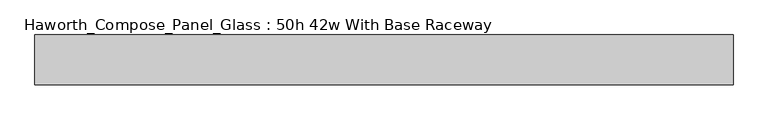
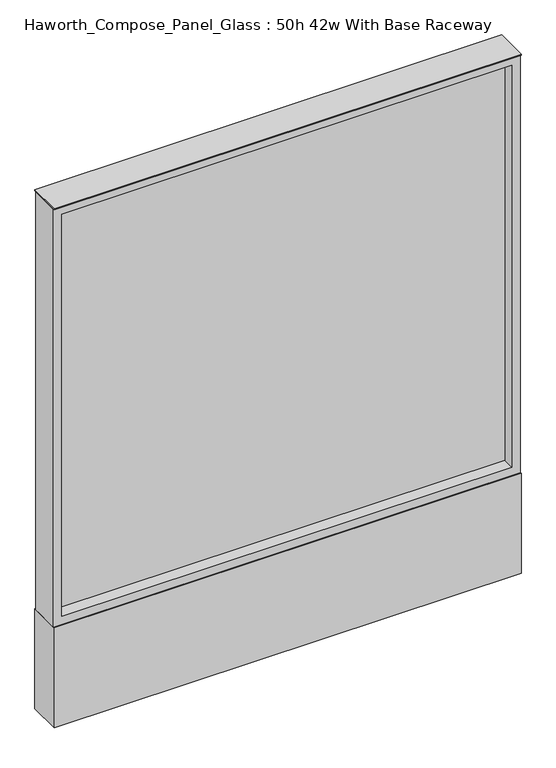
"""IFC4 building model written with IfcOpenShell, lengths in millimetres: furniture geometry, Haworth_Compose_Panel_Glass : 50h 42w With Base Raceway."""

from ifc_helpers import new_model, si_unit, point, frame, frame_2d, origin, origin_with_axes, place, context, project, spatial, polyline, circle_curve, trimmed, segment, composite_curve, outline, extrude, source, transform, mapped, element, save


def haworth_compose_panel_glass_50h_42w_with_base_raceway_e2aeea3a(model_context):
    return source(origin(), model_context, "Body", "SweptSolid", [
        extrude(outline(composite_curve([segment(trimmed(circle_curve(frame_2d((459.6402902, 0.0)), 12.7), [point((446.9402902, 0.0))], [point((472.3402902, 0.0))], False, "CARTESIAN"), True, "CONTINUOUS"), segment(trimmed(circle_curve(frame_2d((459.6402902, 0.0)), 12.7), [point((472.3402902, 0.0))], [point((446.9402902, 0.0))], False, "CARTESIAN"), True, "CONTINUOUS")], self_intersect=False)), origin_with_axes(), (0.0, 0.0, 1.0), 12.7),
        extrude(outline(composite_curve([segment(trimmed(circle_curve(frame_2d((-454.7597098, 0.0)), 12.7), [point((-467.4597098, 0.0))], [point((-442.0597098, 0.0))], False, "CARTESIAN"), True, "CONTINUOUS"), segment(trimmed(circle_curve(frame_2d((-454.7597098, 0.0)), 12.7), [point((-442.0597098, 0.0))], [point((-467.4597098, 0.0))], False, "CARTESIAN"), True, "CONTINUOUS")], self_intersect=False)), origin_with_axes(), (0.0, 0.0, 1.0), 12.7),
        extrude(outline(polyline([(516.7902902, -6.35), (-511.9097098, -6.35), (-511.9097098, 6.35), (516.7902902, 6.35), (516.7902902, -6.35)])), frame((0.0, 0.0, 273.05), z_axis=(0.0, 0.0, 1.0), x_axis=(1.0, 0.0, 0.0)), (0.0, 0.0, 1.0), 971.55),
        extrude(outline(polyline([(1263.65, -530.9597098), (254.0, -530.9597098), (254.0, 535.8402902), (1263.65, 535.8402902), (1263.65, -530.9597098)]), holes=[polyline([(1244.6, 516.7902902), (273.05, 516.7902902), (273.05, -511.9097098), (1244.6, -511.9097098), (1244.6, 516.7902902)])]), frame((0.0, -34.925, 0.0), z_axis=(0.0, 1.0, 0.0), x_axis=(0.0, 0.0, 1.0)), (0.0, 0.0, 1.0), 69.85),
        extrude(outline(polyline([(-530.9597098, 38.1), (535.8402902, 38.1), (535.8402902, -38.1), (-530.9597098, -38.1), (-530.9597098, 38.1)])), frame((0.0, 0.0, 12.7), z_axis=(0.0, 0.0, 1.0), x_axis=(1.0, 0.0, 0.0)), (0.0, 0.0, 1.0), 241.3),
        extrude(outline(polyline([(-530.9597098, -38.1), (-530.9597098, 38.1), (535.8402902, 38.1), (535.8402902, -38.1), (-530.9597098, -38.1)])), frame((0.0, 0.0, 1263.65), z_axis=(0.0, 0.0, 1.0), x_axis=(1.0, 0.0, 0.0)), (0.0, 0.0, 1.0), 3.175),
    ])


if __name__ == "__main__":
    model = new_model("IFC4")
    model_context = context("Model", 3, world=origin())
    ifc_project = project(units=[si_unit("LENGTHUNIT", "METRE", prefix="MILLI")], contexts=[model_context])
    site = spatial("IfcSite", under=ifc_project)
    building = spatial("IfcBuilding", under=site)
    placement = place(None, origin())
    haworth_compose_panel_glass_50h_42w_with_base_raceway_shape = haworth_compose_panel_glass_50h_42w_with_base_raceway_e2aeea3a(model_context)
    element("IfcFurniture", 1, ObjectType="Haworth_Compose_Panel_Glass : 50h 42w With Base Raceway", at=placement, inside=building, context=model_context, shape_type="MappedRepresentation", body=[
        mapped(haworth_compose_panel_glass_50h_42w_with_base_raceway_shape, transform((0.0, 0.0, 0.0), x_axis=(1.0, 0.0, 0.0), y_axis=(0.0, 1.0, 0.0), z_axis=(0.0, 0.0, 1.0))),
    ])
    save(model, "model.ifc")
